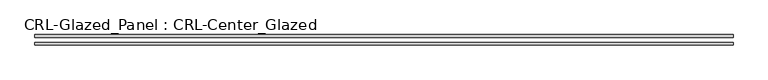
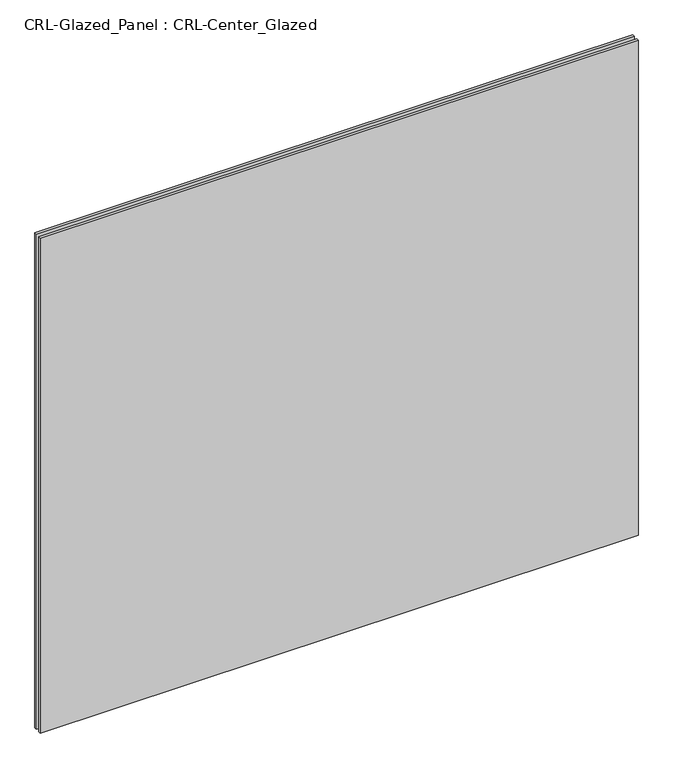
"""IFC4 building model written with IfcOpenShell, lengths in millimetres: plate geometry, CRL-Glazed_Panel : CRL-Center_Glazed."""

from ifc_helpers import new_model, si_unit, origin, origin_with_axes, place, context, project, spatial, polyline, outline, extrude, source, transform, mapped, element, save


def crl_glazed_panel_crl_center_glazed_f5b37686(model_context):
    return source(origin(), model_context, "Body", "SweptSolid", [
        extrude(outline(polyline([(839.7874758, 12.7), (839.7874758, 6.35), (-839.7874758, 6.35), (-839.7874758, 12.7), (839.7874758, 12.7)])), origin_with_axes(), (0.0, 0.0, 1.0), 1470.025),
        extrude(outline(polyline([(-839.7874758, -6.35), (839.7874758, -6.35), (839.7874758, -12.7), (-839.7874758, -12.7), (-839.7874758, -6.35)])), origin_with_axes(), (0.0, 0.0, 1.0), 1470.025),
    ])


if __name__ == "__main__":
    model = new_model("IFC4")
    model_context = context("Model", 3, world=origin())
    ifc_project = project(units=[si_unit("LENGTHUNIT", "METRE", prefix="MILLI")], contexts=[model_context])
    site = spatial("IfcSite", under=ifc_project)
    building = spatial("IfcBuilding", under=site)
    placement = place(None, origin())
    crl_glazed_panel_crl_center_glazed_shape = crl_glazed_panel_crl_center_glazed_f5b37686(model_context)
    element("IfcPlate", 1, ObjectType="CRL-Glazed_Panel : CRL-Center_Glazed", at=placement, inside=building, context=model_context, shape_type="MappedRepresentation", body=[
        mapped(crl_glazed_panel_crl_center_glazed_shape, transform((0.0, 0.0, 0.0), x_axis=(1.0, 0.0, 0.0), y_axis=(0.0, 1.0, 0.0), z_axis=(0.0, 0.0, 1.0))),
    ])
    save(model, "model.ifc")
